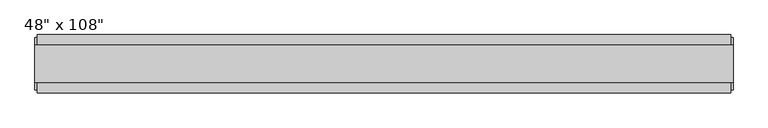
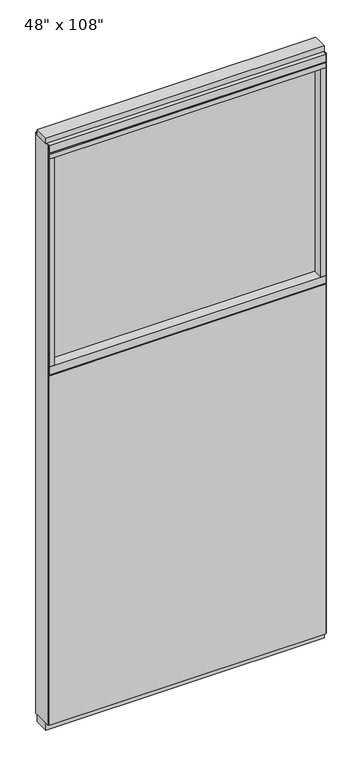
"""IFC4 building model written with IfcOpenShell, lengths in millimetres: furniture geometry."""

from ifc_helpers import new_model, si_unit, frame, origin, origin_with_axes, place, context, project, spatial, polyline, outline, extrude, source, transform, mapped, element, save


def furniture_79221919(model_context):
    return source(origin(), model_context, "Body", "SweptSolid", [
        extrude(outline(polyline([(545.6264771, 46.2822784), (545.6264771, 33.5822784), (-665.6995229, 33.5822784), (-665.6995229, 46.2822784), (545.6264771, 46.2822784)])), frame((0.0, 0.0, 31.75), z_axis=(0.0, 0.0, 1.0), x_axis=(1.0, 0.0, 0.0)), (0.0, 0.0, 1.0), 1619.25),
        extrude(outline(polyline([(545.6264771, -55.3177216), (-665.6995229, -55.3177216), (-665.6995229, -42.6177216), (545.6264771, -42.6177216), (545.6264771, -55.3177216)])), frame((0.0, 0.0, 31.75), z_axis=(0.0, 0.0, 1.0), x_axis=(1.0, 0.0, 0.0)), (0.0, 0.0, 1.0), 1619.25),
        extrude(outline(polyline([(523.4014771, -9.5977216), (-643.4745229, -9.5977216), (-643.4745229, 0.5622784), (523.4014771, 0.5622784), (523.4014771, -9.5977216)])), frame((0.0, 0.0, 1692.275), z_axis=(0.0, 0.0, 1.0), x_axis=(1.0, 0.0, 0.0)), (0.0, 0.0, 1.0), 962.025),
        extrude(outline(polyline([(523.4014771, -55.3177216), (523.4014771, 46.2822784), (545.6264771, 46.2822784), (545.6264771, -55.3177216), (523.4014771, -55.3177216)])), frame((0.0, 0.0, 1692.275), z_axis=(0.0, 0.0, 1.0), x_axis=(1.0, 0.0, 0.0)), (0.0, 0.0, 1.0), 962.025),
        extrude(outline(polyline([(-55.3177216, 1655.953), (-55.3177216, 1692.275), (46.2822784, 1692.275), (46.2822784, 1655.953), (41.3292784, 1655.953), (41.3292784, 1651.0), (-50.3647216, 1651.0), (-50.3647216, 1655.953), (-55.3177216, 1655.953)])), frame((-665.6995229, 0.0, 0.0), z_axis=(1.0, 0.0, 0.0), x_axis=(0.0, 1.0, 0.0)), (0.0, 0.0, 1.0), 1211.326),
        extrude(outline(polyline([(-643.4745229, -55.3177216), (-665.6995229, -55.3177216), (-665.6995229, 46.2822784), (-643.4745229, 46.2822784), (-643.4745229, -55.3177216)])), frame((0.0, 0.0, 1692.275), z_axis=(0.0, 0.0, 1.0), x_axis=(1.0, 0.0, 0.0)), (0.0, 0.0, 1.0), 962.025),
        extrude(outline(polyline([(549.5634771, 27.9942784), (549.5634771, -37.0297216), (-669.6365229, -37.0297216), (-669.6365229, 27.9942784), (549.5634771, 27.9942784)])), origin_with_axes(), (0.0, 0.0, 1.0), 31.75),
        extrude(outline(polyline([(-669.6365229, -37.0297216), (-669.6365229, 27.9942784), (549.5634771, 27.9942784), (549.5634771, -37.0297216), (-669.6365229, -37.0297216)])), frame((0.0, 0.0, 2717.8), z_axis=(0.0, 0.0, 1.0), x_axis=(1.0, 0.0, 0.0)), (0.0, 0.0, 1.0), 25.4),
        extrude(outline(polyline([(-55.3177216, 2681.478), (-55.3177216, 2717.8), (46.2822784, 2717.8), (46.2822784, 2681.478), (41.3292784, 2681.478), (41.3292784, 2676.525), (-50.3647216, 2676.525), (-50.3647216, 2681.478), (-55.3177216, 2681.478)])), frame((-665.6995229, 0.0, 0.0), z_axis=(1.0, 0.0, 0.0), x_axis=(0.0, 1.0, 0.0)), (0.0, 0.0, 1.0), 1211.326),
        extrude(outline(polyline([(545.6264771, 46.2822784), (545.6264771, -55.3177216), (-665.6995229, -55.3177216), (-665.6995229, 46.2822784), (545.6264771, 46.2822784)])), frame((0.0, 0.0, 2654.3), z_axis=(0.0, 0.0, 1.0), x_axis=(1.0, 0.0, 0.0)), (0.0, 0.0, 1.0), 22.225),
        extrude(outline(polyline([(549.5634771, -50.3647216), (545.6264771, -50.3647216), (545.6264771, 41.3292784), (549.5634771, 41.3292784), (549.5634771, -50.3647216)])), frame((0.0, 0.0, 31.75), z_axis=(0.0, 0.0, 1.0), x_axis=(1.0, 0.0, 0.0)), (0.0, 0.0, 1.0), 2686.05),
        extrude(outline(polyline([(-669.6365229, -50.3647216), (-669.6365229, 41.3292784), (-665.6995229, 41.3292784), (-665.6995229, -50.3647216), (-669.6365229, -50.3647216)])), frame((0.0, 0.0, 31.75), z_axis=(0.0, 0.0, 1.0), x_axis=(1.0, 0.0, 0.0)), (0.0, 0.0, 1.0), 2686.05),
    ])


if __name__ == "__main__":
    model = new_model("IFC4")
    model_context = context("Model", 3, world=origin())
    ifc_project = project(units=[si_unit("LENGTHUNIT", "METRE", prefix="MILLI")], contexts=[model_context])
    site = spatial("IfcSite", under=ifc_project)
    building = spatial("IfcBuilding", under=site)
    placement = place(None, origin())
    furniture_shape = furniture_79221919(model_context)
    element("IfcFurniture", 1, ObjectType="48\" x 108\"", at=placement, inside=building, context=model_context, shape_type="MappedRepresentation", body=[
        mapped(furniture_shape, transform((0.0, 0.0, 0.0), x_axis=(1.0, 0.0, 0.0), y_axis=(0.0, 1.0, 0.0), z_axis=(0.0, 0.0, 1.0))),
    ])
    save(model, "model.ifc")
